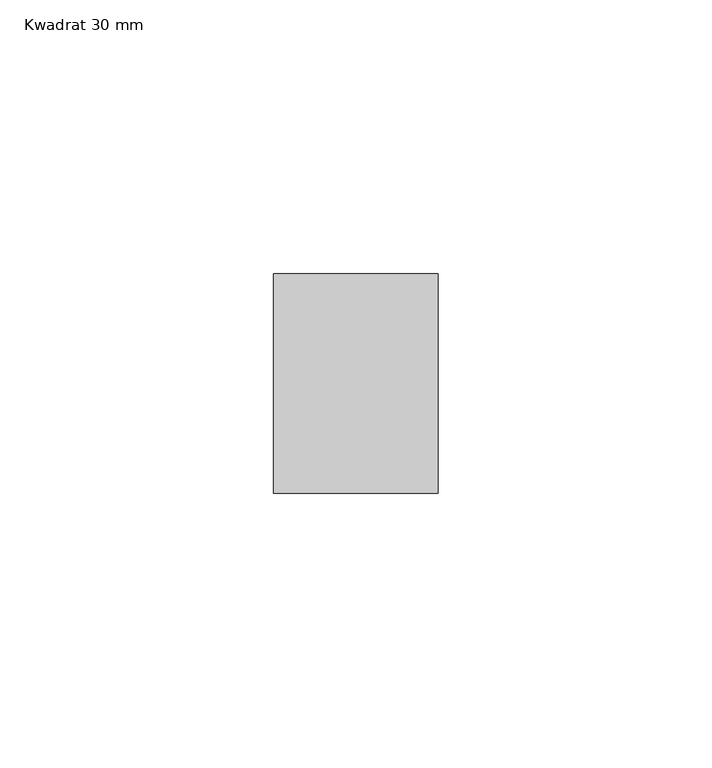
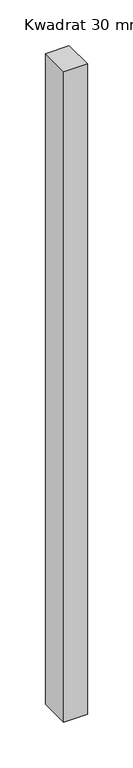
"""IFC4 building model written with IfcOpenShell, lengths in millimetres: member geometry, Kwadrat 30 mm."""

from ifc_helpers import new_model, si_unit, frame, origin, place, context, project, spatial, polyline, outline, extrude, source, transform, mapped, element, save


def kwadrat_30_mm_dabe1930(model_context):
    return source(origin(), model_context, "Body", "SweptSolid", [
        extrude(outline(polyline([(0.0, 20.0), (0.0, -20.0), (-30.0, -20.0), (-30.0, 20.0), (0.0, 20.0)])), frame((0.0, 0.0, -870.0), z_axis=(0.0, 0.0, 1.0), x_axis=(1.0, 0.0, 0.0)), (0.0, 0.0, 1.0), 870.0),
    ])


if __name__ == "__main__":
    model = new_model("IFC4")
    model_context = context("Model", 3, world=origin())
    ifc_project = project(units=[si_unit("LENGTHUNIT", "METRE", prefix="MILLI")], contexts=[model_context])
    site = spatial("IfcSite", under=ifc_project)
    building = spatial("IfcBuilding", under=site)
    placement = place(None, origin())
    kwadrat_30_mm_shape = kwadrat_30_mm_dabe1930(model_context)
    element("IfcMember", 1, ObjectType="Kwadrat 30 mm", at=placement, inside=building, context=model_context, shape_type="MappedRepresentation", body=[
        mapped(kwadrat_30_mm_shape, transform((0.0, 0.0, 0.0), x_axis=(1.0, 0.0, 0.0), y_axis=(0.0, 1.0, 0.0), z_axis=(0.0, 0.0, 1.0))),
    ])
    save(model, "model.ifc")
